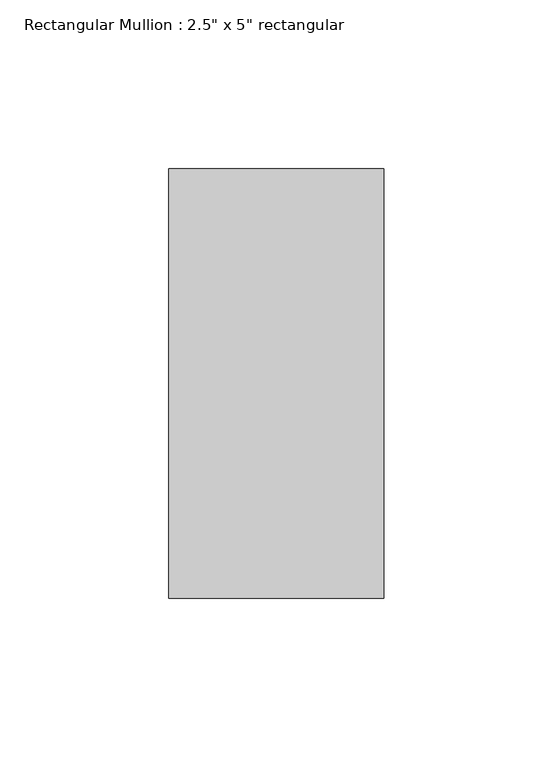
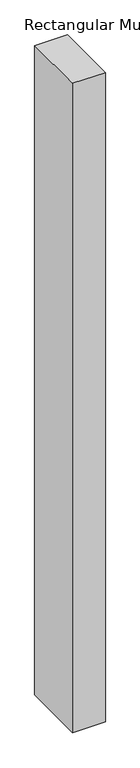
"""IFC4 building model written with IfcOpenShell, lengths in millimetres: member geometry."""

from ifc_helpers import new_model, si_unit, frame, origin, place, context, project, spatial, polyline, outline, extrude, source, transform, mapped, element, save


def member_7c9b62e8(model_context):
    return source(origin(), model_context, "Body", "SweptSolid", [
        extrude(outline(polyline([(0.0, 63.5), (0.0, -63.5), (-63.5, -63.5), (-63.5, 63.5), (0.0, 63.5)])), frame((0.0, 0.0, -1329.8333333), z_axis=(0.0, 0.0, 1.0), x_axis=(1.0, 0.0, 0.0)), (0.0, 0.0, 1.0), 1329.8333333),
    ])


if __name__ == "__main__":
    model = new_model("IFC4")
    model_context = context("Model", 3, world=origin())
    ifc_project = project(units=[si_unit("LENGTHUNIT", "METRE", prefix="MILLI")], contexts=[model_context])
    site = spatial("IfcSite", under=ifc_project)
    building = spatial("IfcBuilding", under=site)
    placement = place(None, origin())
    member_shape = member_7c9b62e8(model_context)
    element("IfcMember", 1, ObjectType="Rectangular Mullion : 2.5\" x 5\" rectangular", at=placement, inside=building, context=model_context, shape_type="MappedRepresentation", body=[
        mapped(member_shape, transform((0.0, 0.0, 0.0), x_axis=(1.0, 0.0, 0.0), y_axis=(0.0, 1.0, 0.0), z_axis=(0.0, 0.0, 1.0))),
    ])
    save(model, "model.ifc")
